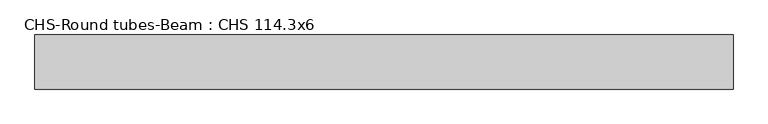
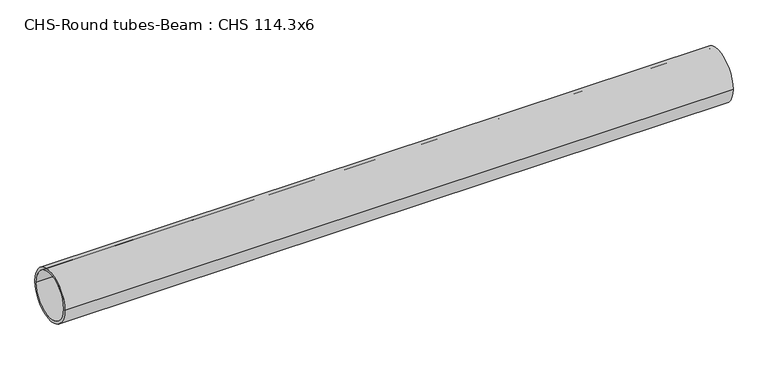
"""IFC4 building model written with IfcOpenShell, lengths in millimetres: beam geometry, CHS-Round tubes-Beam : CHS 114.3x6."""

from ifc_helpers import new_model, si_unit, point, frame, origin, origin_2d, place, context, project, spatial, circle_curve, trimmed, segment, composite_curve, outline, extrude, source, transform, mapped, element, save


def chs_round_tubes_beam_chs_114_3x6_faa966f7(model_context):
    return source(origin(), model_context, "Body", "SweptSolid", [
        extrude(outline(composite_curve([segment(trimmed(circle_curve(origin_2d(), 57.15), [point((57.15, 0.0))], [point((-57.15, 0.0))], False, "CARTESIAN"), True, "CONTINUOUS"), segment(trimmed(circle_curve(origin_2d(), 57.15), [point((-57.15, 0.0))], [point((57.15, 0.0))], False, "CARTESIAN"), True, "CONTINUOUS")], self_intersect=False), holes=[composite_curve([segment(trimmed(circle_curve(origin_2d(), 51.15), [point((51.15, 0.0))], [point((-51.15, 0.0))], True, "CARTESIAN"), True, "CONTINUOUS"), segment(trimmed(circle_curve(origin_2d(), 51.15), [point((-51.15, 0.0))], [point((51.15, 0.0))], True, "CARTESIAN"), True, "CONTINUOUS")], self_intersect=False)]), frame((-702.0914916, 0.0, 0.0), z_axis=(1.0, 0.0, 0.0), x_axis=(0.0, 1.0, 0.0)), (0.0, 0.0, 1.0), 1473.5842383),
    ])


if __name__ == "__main__":
    model = new_model("IFC4")
    model_context = context("Model", 3, world=origin())
    ifc_project = project(units=[si_unit("LENGTHUNIT", "METRE", prefix="MILLI")], contexts=[model_context])
    site = spatial("IfcSite", under=ifc_project)
    building = spatial("IfcBuilding", under=site)
    placement = place(None, origin())
    chs_round_tubes_beam_chs_114_3x6_shape = chs_round_tubes_beam_chs_114_3x6_faa966f7(model_context)
    element("IfcBeam", 1, ObjectType="CHS-Round tubes-Beam : CHS 114.3x6", at=placement, inside=building, context=model_context, shape_type="MappedRepresentation", body=[
        mapped(chs_round_tubes_beam_chs_114_3x6_shape, transform((0.0, 0.0, 0.0), x_axis=(1.0, 0.0, 0.0), y_axis=(0.0, 1.0, 0.0), z_axis=(0.0, 0.0, 1.0))),
    ])
    save(model, "model.ifc")
